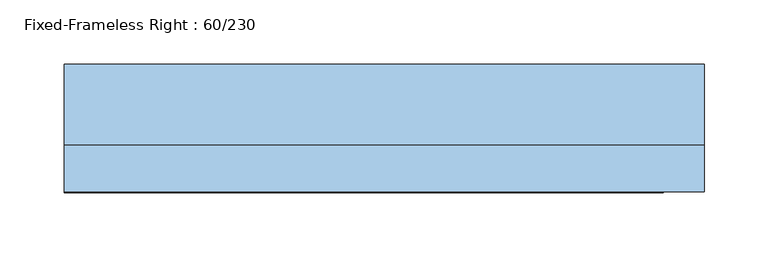
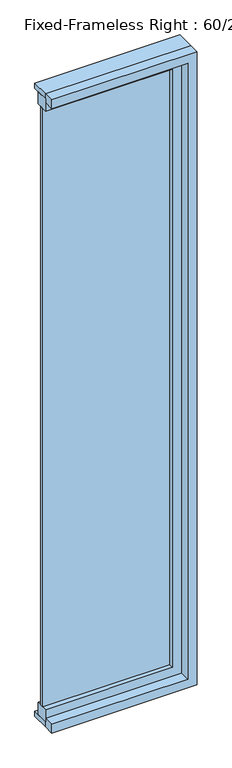
"""IFC4 building model written with IfcOpenShell, lengths in millimetres: window geometry, Fixed-Frameless Right : 60/230."""

from ifc_helpers import new_model, si_unit, frame, origin, place, context, project, spatial, polyline, outline, extrude, source, transform, mapped, element, save


def fixed_frameless_right_60_230_8c051b58(model_context):
    return source(origin(), model_context, "Body", "SweptSolid", [
        extrude(outline(polyline([(148.4, 2.375), (-288.1, 2.375), (-288.1, 15.075), (148.4, 15.075), (148.4, 2.375)])), frame((0.0, 0.0, 977.9), z_axis=(0.0, 0.0, 1.0), x_axis=(1.0, 0.0, 0.0)), (0.0, 0.0, 1.0), 2173.0),
        extrude(outline(polyline([(3195.35, -288.1), (3150.9, -288.1), (3150.9, 148.4), (977.9, 148.4), (977.9, -288.1), (933.45, -288.1), (933.45, 192.85), (3195.35, 192.85), (3195.35, -288.1)])), frame((0.0, -13.5, 0.0), z_axis=(0.0, 1.0, 0.0), x_axis=(0.0, 0.0, 1.0)), (0.0, 0.0, 1.0), 44.45),
        extrude(outline(polyline([(3214.4, -288.1), (3182.65, -288.1), (3182.65, 180.15), (946.15, 180.15), (946.15, -288.1), (914.4, -288.1), (914.4, 211.9), (3214.4, 211.9), (3214.4, -288.1)])), frame((0.0, -50.0, 0.0), z_axis=(0.0, 1.0, 0.0), x_axis=(0.0, 0.0, 1.0)), (0.0, 0.0, 1.0), 36.5),
        extrude(outline(polyline([(3214.4, 211.9), (3214.4, -288.1), (3195.35, -288.1), (3195.35, 192.85), (933.45, 192.85), (933.45, -288.1), (914.4, -288.1), (914.4, 211.9), (3214.4, 211.9)])), frame((0.0, -13.5, 0.0), z_axis=(0.0, 1.0, 0.0), x_axis=(0.0, 0.0, 1.0)), (0.0, 0.0, 1.0), 63.5),
    ])


if __name__ == "__main__":
    model = new_model("IFC4")
    model_context = context("Model", 3, world=origin())
    ifc_project = project(units=[si_unit("LENGTHUNIT", "METRE", prefix="MILLI")], contexts=[model_context])
    site = spatial("IfcSite", under=ifc_project)
    building = spatial("IfcBuilding", under=site)
    placement = place(None, origin())
    fixed_frameless_right_60_230_shape = fixed_frameless_right_60_230_8c051b58(model_context)
    element("IfcWindow", 1, ObjectType="Fixed-Frameless Right : 60/230", at=placement, inside=building, context=model_context, shape_type="MappedRepresentation", body=[
        mapped(fixed_frameless_right_60_230_shape, transform((0.0, 0.0, 0.0), x_axis=(1.0, 0.0, 0.0), y_axis=(0.0, 1.0, 0.0), z_axis=(0.0, 0.0, 1.0))),
    ])
    save(model, "model.ifc")
